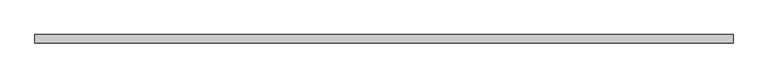
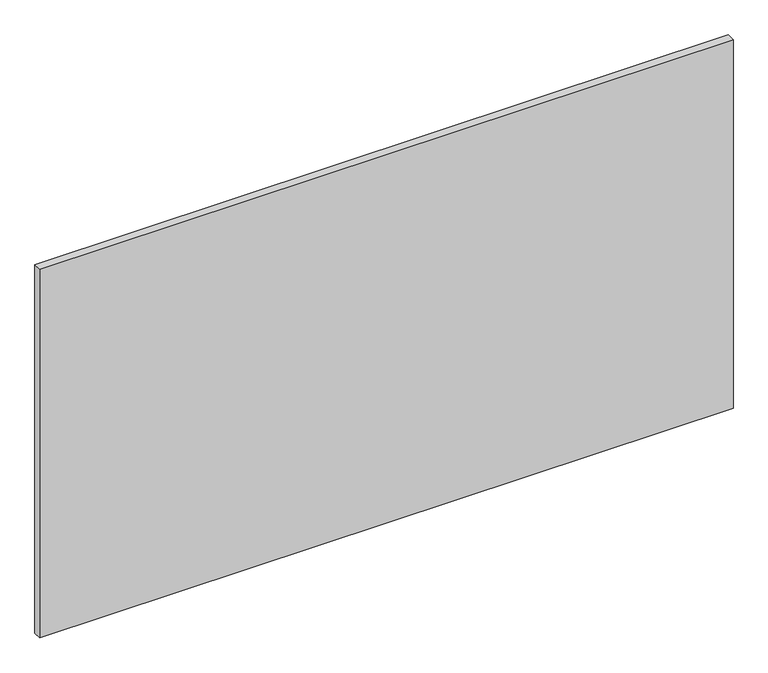
"""IFC4 building model written with IfcOpenShell, lengths in millimetres: plate geometry."""

from ifc_helpers import new_model, si_unit, origin, origin_with_axes, place, context, project, spatial, polyline, outline, extrude, source, transform, mapped, element, save


def plate_517666bf(model_context):
    return source(origin(), model_context, "Body", "SweptSolid", [
        extrude(outline(polyline([(616.6, 7.25), (616.6, -7.25), (-616.6, -7.25), (-616.6, 7.25), (616.6, 7.25)])), origin_with_axes(), (0.0, 0.0, 1.0), 693.2),
    ])


if __name__ == "__main__":
    model = new_model("IFC4")
    model_context = context("Model", 3, world=origin())
    ifc_project = project(units=[si_unit("LENGTHUNIT", "METRE", prefix="MILLI")], contexts=[model_context])
    site = spatial("IfcSite", under=ifc_project)
    building = spatial("IfcBuilding", under=site)
    placement = place(None, origin())
    plate_shape = plate_517666bf(model_context)
    element("IfcPlate", 1, at=placement, inside=building, context=model_context, shape_type="MappedRepresentation", body=[
        mapped(plate_shape, transform((0.0, 0.0, 0.0), x_axis=(1.0, 0.0, 0.0), y_axis=(0.0, 1.0, 0.0), z_axis=(0.0, 0.0, 1.0))),
    ])
    save(model, "model.ifc")
